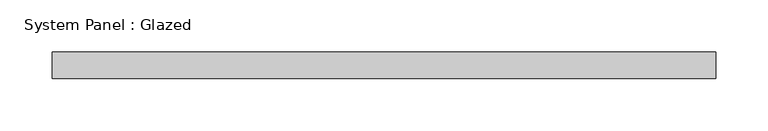
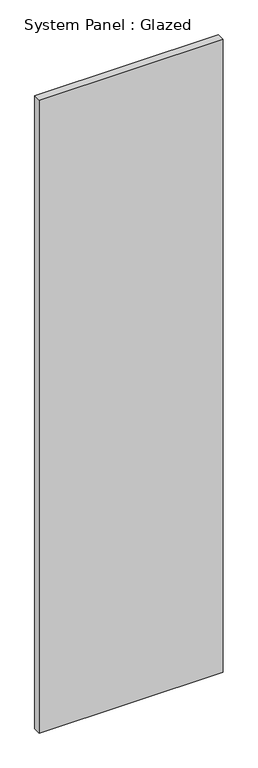
"""IFC4 building model written with IfcOpenShell, lengths in millimetres: plate geometry, System Panel : Glazed."""

from ifc_helpers import new_model, si_unit, origin, origin_with_axes, place, context, project, spatial, polyline, outline, extrude, source, transform, mapped, element, save


def system_panel_glazed_e00bb2e1(model_context):
    return source(origin(), model_context, "Body", "SweptSolid", [
        extrude(outline(polyline([(316.25, -49.5), (-316.25, -49.5), (-316.25, -24.5), (316.25, -24.5), (316.25, -49.5)])), origin_with_axes(), (0.0, 0.0, 1.0), 2300.0),
    ])


if __name__ == "__main__":
    model = new_model("IFC4")
    model_context = context("Model", 3, world=origin())
    ifc_project = project(units=[si_unit("LENGTHUNIT", "METRE", prefix="MILLI")], contexts=[model_context])
    site = spatial("IfcSite", under=ifc_project)
    building = spatial("IfcBuilding", under=site)
    placement = place(None, origin())
    system_panel_glazed_shape = system_panel_glazed_e00bb2e1(model_context)
    element("IfcPlate", 1, ObjectType="System Panel : Glazed", at=placement, inside=building, context=model_context, shape_type="MappedRepresentation", body=[
        mapped(system_panel_glazed_shape, transform((0.0, 0.0, 0.0), x_axis=(1.0, 0.0, 0.0), y_axis=(0.0, 1.0, 0.0), z_axis=(0.0, 0.0, 1.0))),
    ])
    save(model, "model.ifc")
